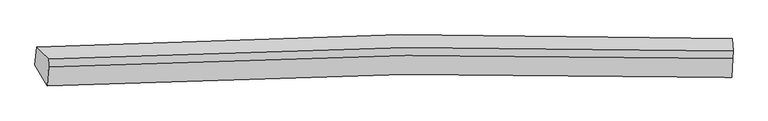
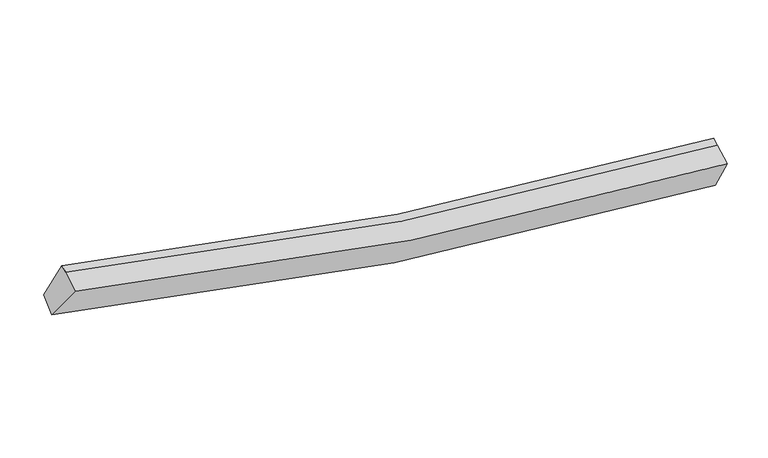
"""IFC4 building model written with IfcOpenShell, lengths in millimetres: proxy geometry."""

from ifc_helpers import new_model, si_unit, frame, origin, place, context, project, spatial, source, transform, mapped, element, save
from ifc_brep_helpers import plane_surface, spline_curve, spline_surface, advanced_brep


def generic_models_9029f1fa(model_context):
    return source(origin(), model_context, "Body", "AdvancedBrep", [
        advanced_brep(
        [(-5804.7389999, -2556.5848227, 4339.8807681), (-6024.4753933, -2176.2043271, 3719.6980563), (6537.7298103, -2021.5899523, 1800.9108998), (6547.1119426, -2405.3751244, 2456.8231784), (-5778.7840562, -2209.5236742, 4493.6898836), (6562.4807772, -2058.4853167, 2612.4303897), (-5773.1986877, -2072.2189965, 4539.65697), (6568.0661458, -1921.1806391, 2658.397476), (-5987.269517, -1850.9655914, 3904.7795974), (6553.4936741, -1696.6982651, 1989.634458)],
        [
            (0, 1),
            (1, 2, spline_curve(3, [(-6024.4753933, -2176.2043271, 3719.6980563), (-3853.494911499, -2055.415786596, 3108.252885529), (-1664.161168542, -1983.954259819, 2641.419073663), (2526.782428762, -1941.93539798, 2029.730853473), (4524.850420371, -1961.858800225, 1856.96894728), (6537.7298103, -2021.5899523, 1800.9108998)], [4, 2, 4], [0.0, 21.838254431451514, 41.456462092001544])),
            (2, 3),
            (3, 0, spline_curve(3, [(6547.1119426, -2405.3751244, 2456.8231784), (4558.321084146, -2346.75681777, 2513.278371644), (2588.644679182, -2327.165487056, 2683.582375449), (-1533.20982534, -2368.236163603, 3284.043469889), (-3680.817067198, -2438.230727087, 3741.42532883), (-5804.7389999, -2556.5848227, 4339.8807681)], [4, 2, 4], [0.0, 19.61820766055003, 41.456462092001544])),
            (4, 0),
            (3, 5),
            (5, 4, spline_curve(3, [(6562.4807772, -2058.4853167, 2612.4303897), (4575.757307836, -2001.944686322, 2674.840441354), (2607.960175258, -1983.435034257, 2848.147097569), (-1510.320641868, -2024.686770798, 3448.714789608), (-3656.278453367, -2093.542542056, 3902.494631524), (-5778.7840562, -2209.5236742, 4493.6898836)], [4, 2, 4], [0.0, 19.439231428620634, 41.07825621801283])),
            (6, 4),
            (5, 7),
            (7, 6, spline_curve(3, [(6568.0661458, -1921.1806391, 2658.397476), (4581.586585993, -1858.643997297, 2722.81488191), (2613.91793854, -1836.975793008, 2897.178963226), (-1504.335275996, -1877.54900583, 3497.973813569), (-3650.42157391, -1949.5633294, 3950.696229614), (-5773.1986877, -2072.2189965, 4539.65697)], [4, 2, 4], [0.0, 19.429709114050997, 41.058134019297505])),
            (8, 6),
            (7, 9),
            (9, 8, spline_curve(3, [(6553.4936741, -1696.6982651, 1989.634458), (4543.741171732, -1632.095372969, 2050.707778355), (2548.920932683, -1609.579751826, 2225.839741779), (-1634.904230159, -1650.937826365, 2836.946509005), (-3820.338387458, -1724.875890185, 3300.196257921), (-5987.269517, -1850.9655914, 3904.7795974)], [4, 2, 4], [0.0, 19.587863760695686, 41.39234049864291])),
            (1, 8),
            (9, 2),
        ],
        [
            spline_surface(3, 3, [[(-5804.7389999, -2556.5848227, 4339.8807681), (-3680.817067446, -2438.230727412, 3741.425328604), (-1533.209825088, -2368.236163737, 3284.043469652), (2588.644678955, -2327.165486936, 2683.582375662), (4558.321084077, -2346.756817845, 2513.278371325), (6547.1119426, -2405.3751244, 2456.8231784)], [(-5877.984464345, -2429.791324145, 4133.153197514), (-3738.376348799, -2310.625747056, 3530.367847703), (-1576.860272964, -2240.14219571, 3069.835337547), (2568.023928911, -2198.755457331, 2465.631868363), (4547.164196228, -2218.457478526, 2294.508563357), (6543.984565167, -2277.446733688, 2238.185752194)], [(-5951.229928855, -2302.997825655, 3926.425626886), (-3795.935630217, -2183.020766764, 3319.310366759), (-1620.510720791, -2112.048227686, 2855.627205443), (2547.403178918, -2070.345427729, 2247.681361065), (4536.007308377, -2090.158139242, 2075.738755408), (6540.857187733, -2149.518343012, 2019.548326006)], [(-6024.4753933, -2176.2043271, 3719.6980563), (-3853.49491157, -2055.415786408, 3108.252885859), (-1664.161168667, -1983.954259659, 2641.419073337), (2526.782428874, -1941.935398124, 2029.730853766), (4524.850420529, -1961.858799923, 1856.96894744), (6537.7298103, -2021.5899523, 1800.9108998)]], [4, 4], [4, 2, 4], [0.0, 2.493049263228503], [0.0, 21.838254431451514, 41.456462092001544]),
            spline_surface(3, 3, [[(-5778.7840562, -2209.5236742, 4493.6898836), (-3656.27845338, -2093.542542107, 3902.494631694), (-1510.320641564, -2024.686770955, 3448.714789913), (2607.960174985, -1983.435034116, 2848.147097295), (4575.757307609, -2001.944686074, 2674.84044112), (6562.4807772, -2058.4853167, 2612.4303897)], [(-5787.435704096, -2325.21072372, 4442.420178406), (-3664.457991398, -2208.438603895, 3848.80486397), (-1517.95036939, -2139.203235213, 3393.824349851), (2601.521676324, -2098.01185172, 2793.292190108), (4569.945233099, -2116.882063336, 2620.986417861), (6557.357832333, -2174.115252605, 2560.561319273)], [(-5796.087352004, -2440.89777318, 4391.150473294), (-3672.637529428, -2323.334665624, 3795.115096327), (-1525.580097262, -2253.719699479, 3338.933909714), (2595.083177616, -2212.588669332, 2738.437282848), (4564.133158588, -2231.819440583, 2567.132394584), (6552.234887467, -2289.745188495, 2508.692248827)], [(-5804.7389999, -2556.5848227, 4339.8807681), (-3680.817067446, -2438.230727412, 3741.425328604), (-1533.209825088, -2368.236163737, 3284.043469652), (2588.644678955, -2327.165486936, 2683.582375662), (4558.321084077, -2346.756817845, 2513.278371325), (6547.1119426, -2405.3751244, 2456.8231784)]], [4, 4], [4, 2, 4], [0.0, 1.2520318239500503], [0.0, 21.6390247893922, 41.07825621801283]),
            spline_surface(3, 3, [[(-5773.1986877, -2072.2189965, 4539.65697), (-3650.421573826, -1949.563329447, 3950.69622991), (-1504.335276299, -1877.549005838, 3497.973813389), (2613.917938812, -1836.975793001, 2897.178963388), (4581.586585825, -1858.643997515, 2722.814881852), (6568.0661458, -1921.1806391, 2658.397476)], [(-5775.060477224, -2117.987222387, 4524.334607895), (-3652.373867034, -1997.55640032, 3934.629030533), (-1506.330398055, -1926.594927552, 3481.554138872), (2611.932017535, -1885.795540048, 2880.835007999), (4579.643493096, -1906.410893721, 2706.823401603), (6566.204356276, -1966.948864987, 2643.075113895)], [(-5776.922266676, -2163.755448313, 4509.012245705), (-3654.326160171, -2045.549471234, 3918.561831071), (-1508.325519808, -1975.640849241, 3465.13446443), (2609.946096262, -1934.615287069, 2864.491052684), (4577.700400338, -1954.177789868, 2690.831921369), (6564.342566724, -2012.717090813, 2627.752751805)], [(-5778.7840562, -2209.5236742, 4493.6898836), (-3656.27845338, -2093.542542107, 3902.494631694), (-1510.320641564, -2024.686770955, 3448.714789913), (2607.960174985, -1983.435034116, 2848.147097295), (4575.757307609, -2001.944686074, 2674.84044112), (6562.4807772, -2058.4853167, 2612.4303897)]], [4, 4], [4, 2, 4], [0.0, 0.5083047644323431], [0.0, 21.628424905246508, 41.058134019297505]),
            spline_surface(3, 3, [[(-5987.269517, -1850.9655914, 3904.7795974), (-3820.338387576, -1724.875890429, 3300.196258), (-1634.904229984, -1650.937826678, 2836.946508657), (2548.920932527, -1609.579751545, 2225.839742092), (4543.741171975, -1632.095373227, 2050.707778279), (6553.4936741, -1696.6982651, 1989.634458)], [(-5915.912573896, -1924.716726428, 4116.405388255), (-3763.699449655, -1799.77170343, 3517.029581958), (-1591.381245436, -1726.474886388, 3057.288943578), (2570.586601275, -1685.37843202, 2449.619482534), (4556.356309912, -1707.611581314, 2274.743479475), (6558.351164654, -1771.525723091, 2212.555464005)], [(-5844.555630804, -1998.467861472, 4328.031179145), (-3707.060511746, -1874.667516447, 3733.862905952), (-1547.858260847, -1802.011946128, 3277.631378469), (2592.252270064, -1761.177112525, 2673.399222946), (4568.971447887, -1783.127789428, 2498.779180657), (6563.208655246, -1846.353181109, 2435.476469995)], [(-5773.1986877, -2072.2189965, 4539.65697), (-3650.421573826, -1949.563329447, 3950.69622991), (-1504.335276299, -1877.549005838, 3497.973813389), (2613.917938812, -1836.975793001, 2897.178963388), (4581.586585825, -1858.643997515, 2722.814881852), (6568.0661458, -1921.1806391, 2658.397476)]], [4, 4], [4, 2, 4], [0.0, 2.330981850457726], [0.0, 21.804476737947223, 41.39234049864291]),
            spline_surface(3, 3, [[(-6024.4753933, -2176.2043271, 3719.6980563), (-3853.49491157, -2055.415786408, 3108.252885859), (-1664.161168667, -1983.954259659, 2641.419073337), (2526.782428874, -1941.935398124, 2029.730853766), (4524.850420529, -1961.858799923, 1856.96894744), (6537.7298103, -2021.5899523, 1800.9108998)], [(-6012.073434539, -2067.791415221, 3781.39190333), (-3842.442736911, -1945.235821103, 3172.234009902), (-1654.408855757, -1872.948782003, 2706.594885101), (2534.161930108, -1831.150182603, 2095.100483199), (4531.14733768, -1851.937657687, 1921.54855772), (6542.984431569, -1913.29272323, 1863.818752534)], [(-5999.671475761, -1959.378503279, 3843.08575037), (-3831.390562235, -1835.055855735, 3236.215133957), (-1644.656542895, -1761.943304334, 2771.770696893), (2541.541431293, -1720.364967067, 2160.470112659), (4537.444254824, -1742.016515463, 1986.128167999), (6548.239052831, -1804.99549417, 1926.726605266)], [(-5987.269517, -1850.9655914, 3904.7795974), (-3820.338387576, -1724.875890429, 3300.196258), (-1634.904229984, -1650.937826678, 2836.946508657), (2548.920932527, -1609.579751545, 2225.839742092), (4543.741171975, -1632.095373227, 2050.707778279), (6553.4936741, -1696.6982651, 1989.634458)]], [4, 4], [4, 2, 4], [0.0, 1.2693575957280552], [0.0, 22.00367595075104, 41.770488607516704]),
            plane_surface(frame((6553.77647, -2020.6658595, 2303.6392804), z_axis=(0.9990433826256431, -0.029982462777629785, -0.03183349741547351), x_axis=(-0.03854569331266862, -0.9475657565024173, -0.3172276258951092))),
            plane_surface(frame((-5873.6933308, -2173.0994824, 4199.5410551), z_axis=(-0.9520848359735197, -0.06156233335692361, 0.29957393781991026), x_axis=(0.2891268333350852, -0.5005006521902007, 0.8160298838907861))),
        ],
        [
            (0, [[1, 2, 3, 4]]),
            (1, [[5, -4, 6, 7]]),
            (2, [[8, -7, 9, 10]]),
            (3, [[11, -10, 12, 13]]),
            (4, [[14, -13, 15, -2]]),
            (5, [[-9, -6, -3, -15, -12]]),
            (6, [[-1, -5, -8, -11, -14]]),
        ],
    ),
    ])


if __name__ == "__main__":
    model = new_model("IFC4")
    model_context = context("Model", 3, world=origin())
    ifc_project = project(units=[si_unit("LENGTHUNIT", "METRE", prefix="MILLI")], contexts=[model_context])
    site = spatial("IfcSite", under=ifc_project)
    building = spatial("IfcBuilding", under=site)
    placement = place(None, origin())
    generic_models_shape = generic_models_9029f1fa(model_context)
    element("IfcBuildingElementProxy", 1, Name="Generic Models", at=placement, inside=building, context=model_context, shape_type="MappedRepresentation", body=[
        mapped(generic_models_shape, transform((0.0, 0.0, 0.0), x_axis=(1.0, 0.0, 0.0), y_axis=(0.0, 1.0, 0.0), z_axis=(0.0, 0.0, 1.0))),
    ])
    save(model, "model.ifc")
